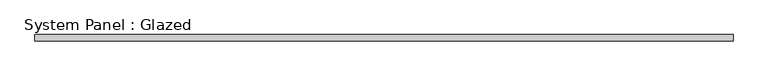
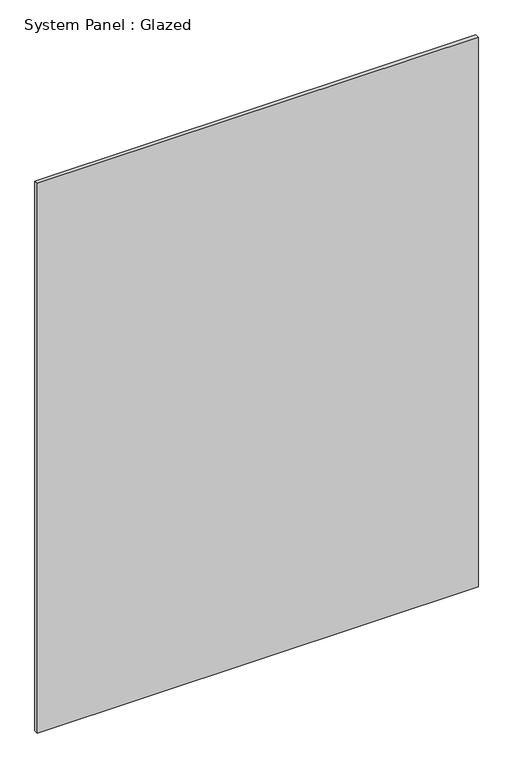
"""IFC4 building model written with IfcOpenShell, lengths in millimetres: plate geometry, System Panel : Glazed."""

from ifc_helpers import new_model, si_unit, origin, origin_with_axes, place, context, project, spatial, polyline, outline, extrude, source, transform, mapped, element, save


def system_panel_glazed_81593d2f(model_context):
    return source(origin(), model_context, "Body", "SweptSolid", [
        extrude(outline(polyline([(1350.0, 24.5), (-1350.0, 24.5), (-1350.0, 49.5), (1350.0, 49.5), (1350.0, 24.5)])), origin_with_axes(), (0.0, 0.0, 1.0), 3555.5555556),
    ])


if __name__ == "__main__":
    model = new_model("IFC4")
    model_context = context("Model", 3, world=origin())
    ifc_project = project(units=[si_unit("LENGTHUNIT", "METRE", prefix="MILLI")], contexts=[model_context])
    site = spatial("IfcSite", under=ifc_project)
    building = spatial("IfcBuilding", under=site)
    placement = place(None, origin())
    system_panel_glazed_shape = system_panel_glazed_81593d2f(model_context)
    element("IfcPlate", 1, ObjectType="System Panel : Glazed", at=placement, inside=building, context=model_context, shape_type="MappedRepresentation", body=[
        mapped(system_panel_glazed_shape, transform((0.0, 0.0, 0.0), x_axis=(1.0, 0.0, 0.0), y_axis=(0.0, 1.0, 0.0), z_axis=(0.0, 0.0, 1.0))),
    ])
    save(model, "model.ifc")
